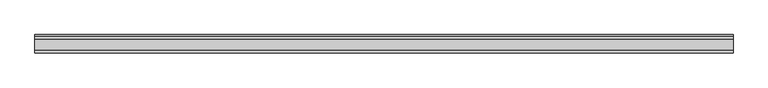
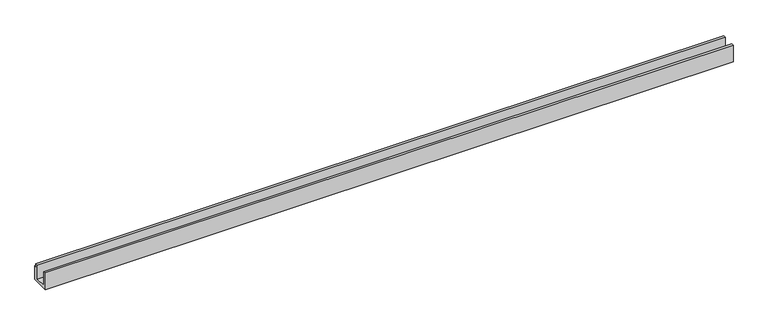
"""IFC4 building model written with IfcOpenShell, lengths in millimetres: beam geometry."""

from ifc_helpers import new_model, si_unit, frame, origin, place, context, project, spatial, polyline, outline, extrude, source, transform, mapped, element, save


def beam_d0a48bfc(model_context):
    return source(origin(), model_context, "Body", "SweptSolid", [
        extrude(outline(polyline([(-4498.801015, -230.0), (-4498.801015, -870.0), (-5298.801015, -870.0), (-5298.801015, -80.0), (-5198.801015, -80.0), (-5198.801015, -730.0), (-4698.801015, -730.0), (-4698.801015, -80.0), (-4578.801015, -80.0), (-4578.801015, -230.0), (-4498.801015, -230.0)])), frame((-19517.9488808, 0.0, 0.0), z_axis=(1.0, 0.0, 0.0), x_axis=(0.0, 1.0, 0.0)), (0.0, 0.0, 1.0), 30700.0),
    ])


if __name__ == "__main__":
    model = new_model("IFC4")
    model_context = context("Model", 3, world=origin())
    ifc_project = project(units=[si_unit("LENGTHUNIT", "METRE", prefix="MILLI")], contexts=[model_context])
    site = spatial("IfcSite", under=ifc_project)
    building = spatial("IfcBuilding", under=site)
    placement = place(None, origin())
    beam_shape = beam_d0a48bfc(model_context)
    element("IfcBeam", 1, at=placement, inside=building, context=model_context, shape_type="MappedRepresentation", body=[
        mapped(beam_shape, transform((0.0, 0.0, 0.0), x_axis=(1.0, 0.0, 0.0), y_axis=(0.0, 1.0, 0.0), z_axis=(0.0, 0.0, 1.0))),
    ])
    save(model, "model.ifc")
